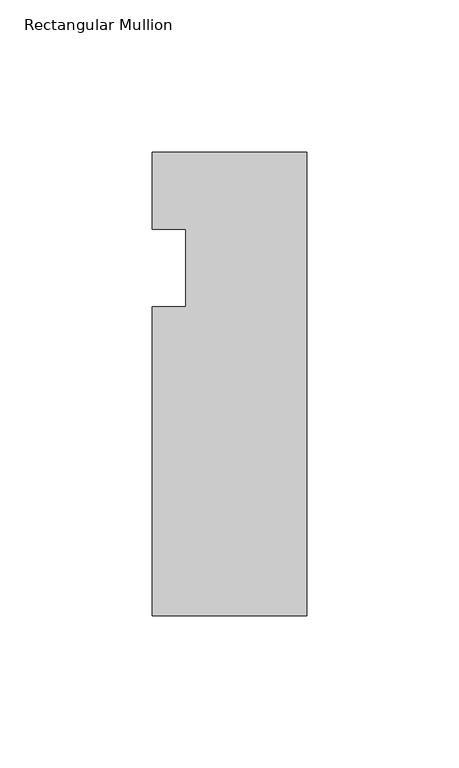
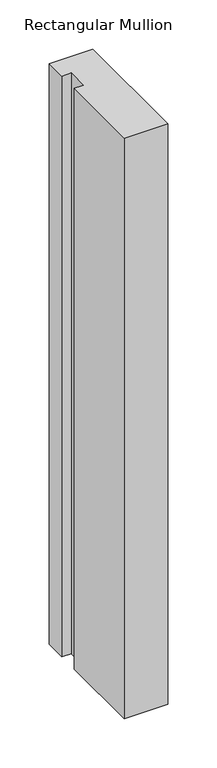
"""IFC4 building model written with IfcOpenShell, lengths in millimetres: member geometry, Rectangular Mullion."""

from ifc_helpers import new_model, si_unit, frame, origin, place, context, project, spatial, polyline, outline, extrude, source, transform, mapped, element, save


def rectangular_mullion_caa48ee8(model_context):
    return source(origin(), model_context, "Body", "SweptSolid", [
        extrude(outline(polyline([(0.0, 0.0), (0.0, -152.4), (-50.8, -152.4), (-50.8, -50.8), (-39.798625, -50.8), (-39.798625, -25.4), (-50.8, -25.4), (-50.8, 0.0), (0.0, 0.0)])), frame((0.0, 0.0, -719.6666667), z_axis=(0.0, 0.0, 1.0), x_axis=(1.0, 0.0, 0.0)), (0.0, 0.0, 1.0), 719.6666667),
    ])


if __name__ == "__main__":
    model = new_model("IFC4")
    model_context = context("Model", 3, world=origin())
    ifc_project = project(units=[si_unit("LENGTHUNIT", "METRE", prefix="MILLI")], contexts=[model_context])
    site = spatial("IfcSite", under=ifc_project)
    building = spatial("IfcBuilding", under=site)
    placement = place(None, origin())
    rectangular_mullion_shape = rectangular_mullion_caa48ee8(model_context)
    element("IfcMember", 1, ObjectType="Rectangular Mullion", at=placement, inside=building, context=model_context, shape_type="MappedRepresentation", body=[
        mapped(rectangular_mullion_shape, transform((0.0, 0.0, 0.0), x_axis=(1.0, 0.0, 0.0), y_axis=(0.0, 1.0, 0.0), z_axis=(0.0, 0.0, 1.0))),
    ])
    save(model, "model.ifc")
